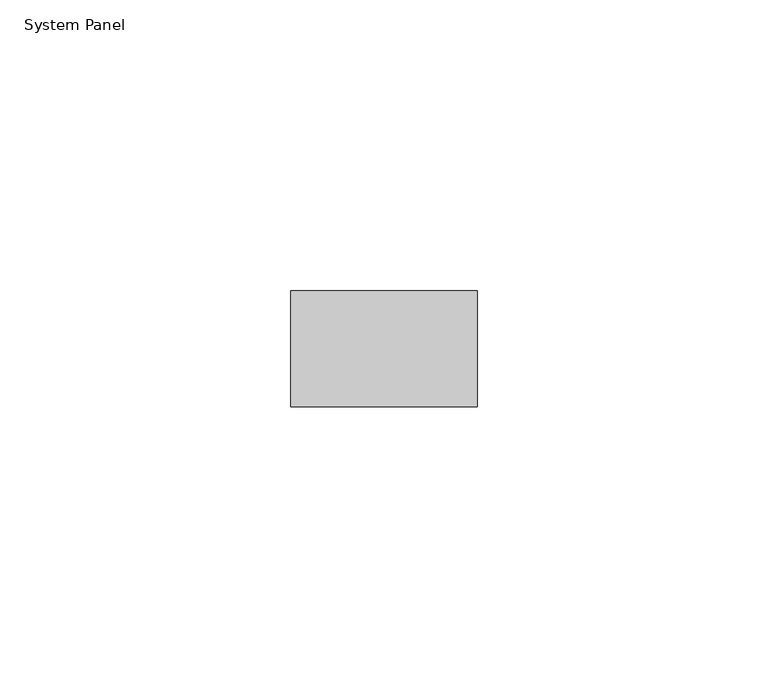
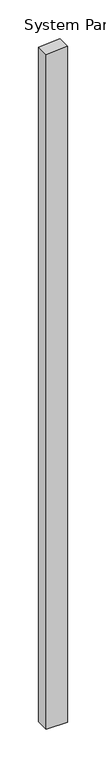
"""IFC4 building model written with IfcOpenShell, lengths in millimetres: plate geometry, System Panel."""

from ifc_helpers import new_model, si_unit, frame, origin, place, context, project, spatial, polyline, outline, extrude, source, transform, mapped, element, save


def system_panel_98d39eb8(model_context):
    return source(origin(), model_context, "Body", "SweptSolid", [
        extrude(outline(polyline([(0.0, -16.0671366), (0.0, 16.0671366), (1068.6258431, 16.0671366), (1066.2606053, -16.0671366), (0.0, -16.0671366)])), frame((0.0, -10.0, 0.0), z_axis=(0.0, 1.0, 0.0), x_axis=(0.0, 0.0, 1.0)), (0.0, 0.0, 1.0), 20.0),
    ])


if __name__ == "__main__":
    model = new_model("IFC4")
    model_context = context("Model", 3, world=origin())
    ifc_project = project(units=[si_unit("LENGTHUNIT", "METRE", prefix="MILLI")], contexts=[model_context])
    site = spatial("IfcSite", under=ifc_project)
    building = spatial("IfcBuilding", under=site)
    placement = place(None, origin())
    system_panel_shape = system_panel_98d39eb8(model_context)
    element("IfcPlate", 1, ObjectType="System Panel", at=placement, inside=building, context=model_context, shape_type="MappedRepresentation", body=[
        mapped(system_panel_shape, transform((0.0, 0.0, 0.0), x_axis=(1.0, 0.0, 0.0), y_axis=(0.0, 1.0, 0.0), z_axis=(0.0, 0.0, 1.0))),
    ])
    save(model, "model.ifc")
